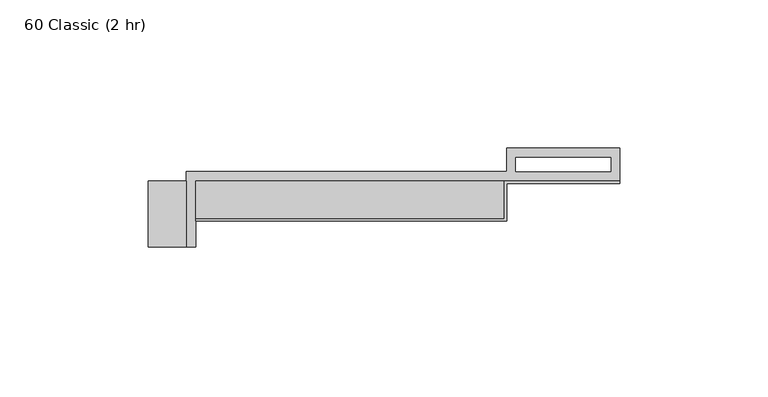
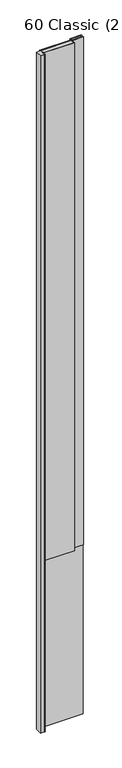
"""IFC4 building model written with IfcOpenShell, lengths in millimetres: proxy geometry, 60 Classic (2 hr)."""

from ifc_helpers import new_model, si_unit, frame, origin, origin_with_axes, place, context, project, spatial, polyline, outline, extrude, source, transform, mapped, element, save


def proxy_60_classic_2_hr_05c9cf64(model_context):
    return source(origin(), model_context, "Body", "SweptSolid", [
        extrude(outline(polyline([(-104.775, -12.7), (-0.79375, -12.7), (-0.79375, 0.0), (38.1, 0.0), (38.1, -0.79375), (0.0, -0.79375), (0.0, -13.49375), (-104.775, -13.49375), (-104.775, -12.7)])), frame((0.0, 0.0, 609.6), z_axis=(0.0, 0.0, 1.0), x_axis=(1.0, 0.0, 0.0)), (0.0, 0.0, 1.0), 1828.8),
        extrude(outline(polyline([(-107.95, 0.0), (-107.95, -22.225), (-120.65, -22.225), (-120.65, 0.0), (-107.95, 0.0)])), origin_with_axes(), (0.0, 0.0, 1.0), 2438.4),
        extrude(outline(polyline([(0.0, 0.0), (0.0, -12.7), (-104.775, -12.7), (-104.775, 0.0), (0.0, 0.0)])), frame((0.0, 0.0, 609.6), z_axis=(0.0, 0.0, 1.0), x_axis=(1.0, 0.0, 0.0)), (0.0, 0.0, 1.0), 1828.8),
        extrude(outline(polyline([(-107.95, -22.225), (-107.95, 3.175), (0.0, 3.175), (0.0, 11.1125), (38.1, 11.1125), (38.1, 0.0), (-104.775, 0.0), (-104.775, -22.225), (-107.95, -22.225)]), holes=[polyline([(3.175, 3.175), (35.1499571, 3.175), (35.1499571, 7.9375), (3.175, 7.9375), (3.175, 3.175)])]), origin_with_axes(), (0.0, 0.0, 1.0), 2438.4),
    ])


if __name__ == "__main__":
    model = new_model("IFC4")
    model_context = context("Model", 3, world=origin())
    ifc_project = project(units=[si_unit("LENGTHUNIT", "METRE", prefix="MILLI")], contexts=[model_context])
    site = spatial("IfcSite", under=ifc_project)
    building = spatial("IfcBuilding", under=site)
    placement = place(None, origin())
    proxy_60_classic_2_hr_shape = proxy_60_classic_2_hr_05c9cf64(model_context)
    element("IfcBuildingElementProxy", 1, Name="60 Classic (2 hr)", ObjectType="60 Classic (2 hr)", at=placement, inside=building, context=model_context, shape_type="MappedRepresentation", body=[
        mapped(proxy_60_classic_2_hr_shape, transform((0.0, 0.0, 0.0), x_axis=(1.0, 0.0, 0.0), y_axis=(0.0, 1.0, 0.0), z_axis=(0.0, 0.0, 1.0))),
    ])
    save(model, "model.ifc")
